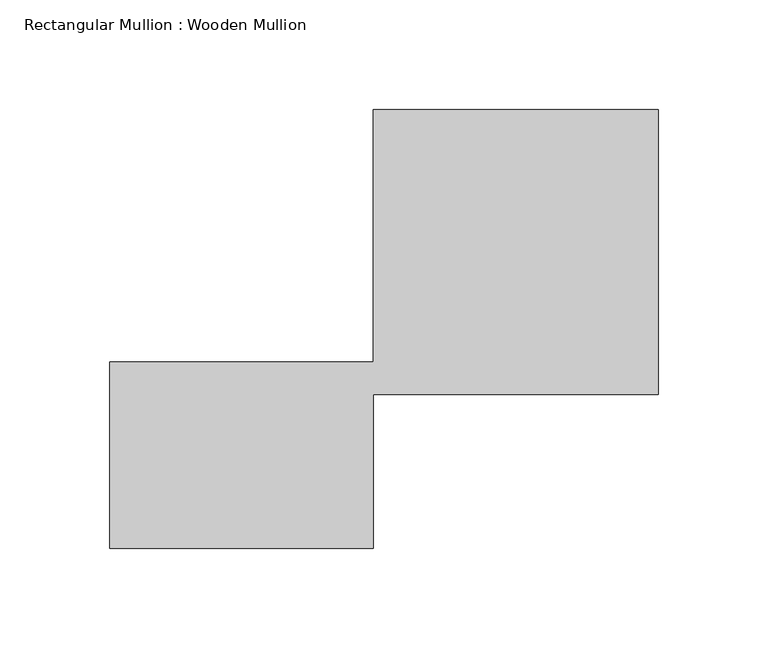
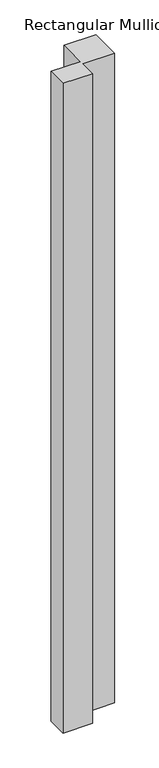
"""IFC4 building model written with IfcOpenShell, lengths in millimetres: member geometry, Rectangular Mullion : Wooden Mullion."""

from ifc_helpers import new_model, si_unit, frame, origin, place, context, project, spatial, polyline, outline, extrude, source, transform, mapped, element, save


def rectangular_mullion_wooden_mullion_9eae2b38(model_context):
    return source(origin(), model_context, "Body", "SweptSolid", [
        extrude(outline(polyline([(74.8100006, -26.0137344), (-45.1899994, -26.0137344), (-45.1899994, 58.9862656), (74.8100006, 58.9862656), (74.8100006, 173.9862656), (204.8100006, 173.9862656), (204.8100006, 43.9862656), (74.8100006, 43.9862656), (74.8100006, -26.0137344)])), frame((0.0, 0.0, -2801.9118501), z_axis=(0.0, 0.0, 1.0), x_axis=(1.0, 0.0, 0.0)), (0.0, 0.0, 1.0), 2801.9118501),
    ])


if __name__ == "__main__":
    model = new_model("IFC4")
    model_context = context("Model", 3, world=origin())
    ifc_project = project(units=[si_unit("LENGTHUNIT", "METRE", prefix="MILLI")], contexts=[model_context])
    site = spatial("IfcSite", under=ifc_project)
    building = spatial("IfcBuilding", under=site)
    placement = place(None, origin())
    rectangular_mullion_wooden_mullion_shape = rectangular_mullion_wooden_mullion_9eae2b38(model_context)
    element("IfcMember", 1, ObjectType="Rectangular Mullion : Wooden Mullion", at=placement, inside=building, context=model_context, shape_type="MappedRepresentation", body=[
        mapped(rectangular_mullion_wooden_mullion_shape, transform((0.0, 0.0, 0.0), x_axis=(1.0, 0.0, 0.0), y_axis=(0.0, 1.0, 0.0), z_axis=(0.0, 0.0, 1.0))),
    ])
    save(model, "model.ifc")
